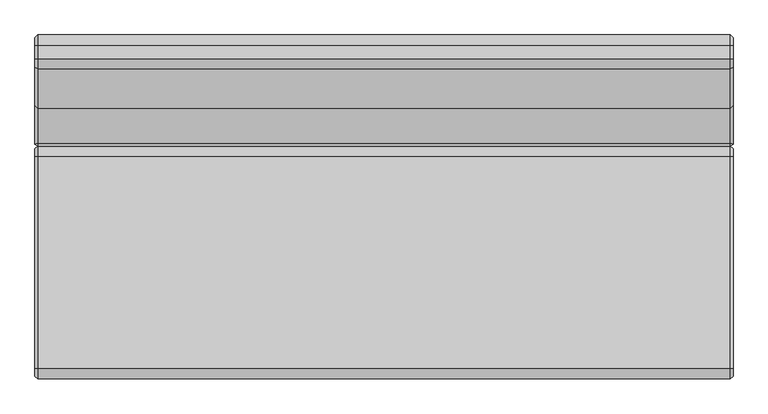
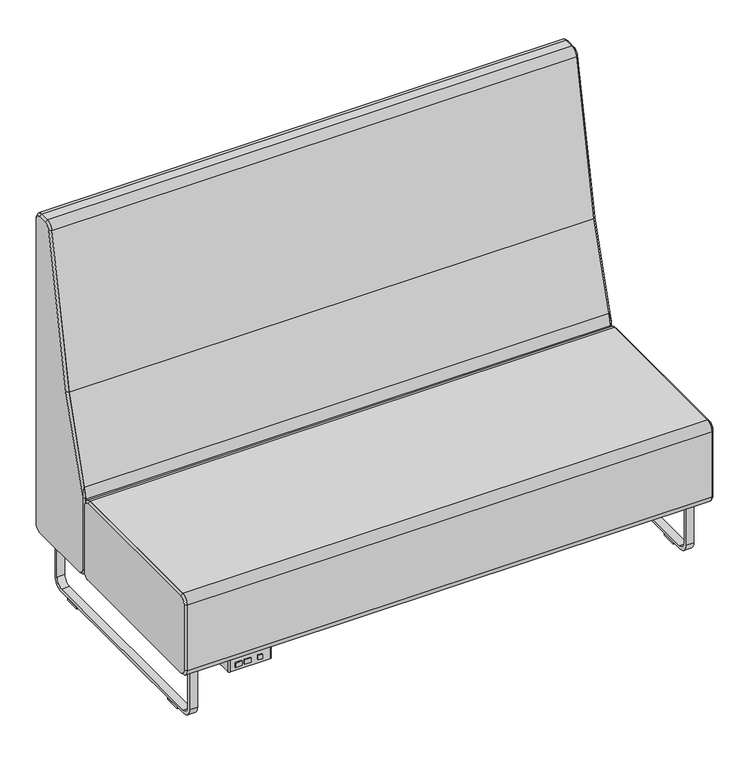
"""IFC4 building model written with IfcOpenShell, lengths in millimetres: furniture geometry."""

from ifc_helpers import new_model, si_unit, point, frame, frame_2d, origin, origin_with_axes, place, context, project, spatial, polyline, circle_curve, trimmed, segment, composite_curve, outline, extrude, source, transform, mapped, element, save
from ifc_brep_helpers import plane_surface, revolved_surface, spline_surface, advanced_brep


def furniture_33818f2f(model_context):
    return source(origin(), model_context, "Body", "SolidModel", [
        extrude(outline(polyline([(-1084.8135905, -367.8609794), (-1098.6184165, -367.8609794), (-1098.6184165, -364.6859794), (-1084.8135905, -364.6859794), (-1084.8135905, -367.8609794)])), frame((0.0, 0.0, 148.4693805), z_axis=(0.0, 0.0, 1.0), x_axis=(1.0, 0.0, 0.0)), (0.0, 0.0, 1.0), 15.3288336),
        extrude(outline(polyline([(-1120.9260038, -367.8609794), (-1142.3402709, -367.8609794), (-1142.3402709, -364.6859794), (-1120.9260038, -364.6859794), (-1120.9260038, -367.8609794)])), frame((0.0, 0.0, 148.4693805), z_axis=(0.0, 0.0, 1.0), x_axis=(1.0, 0.0, 0.0)), (0.0, 0.0, 1.0), 15.3288336),
        extrude(outline(polyline([(-1151.1520036, -367.8609794), (-1172.0562055, -367.8609794), (-1172.0562055, -364.6859794), (-1151.1520036, -364.6859794), (-1151.1520036, -367.8609794)])), frame((0.0, 0.0, 148.4693805), z_axis=(0.0, 0.0, 1.0), x_axis=(1.0, 0.0, 0.0)), (0.0, 0.0, 1.0), 15.3288336),
        extrude(outline(composite_curve([segment(trimmed(circle_curve(frame_2d((-1053.3937537, -295.6297294)), 0.79375), [point((-1053.3937537, -294.8359794))], [point((-1052.6000037, -295.6297294))], False, "CARTESIAN"), True, "CONTINUOUS"), segment(polyline([(-1052.6000037, -295.6297294), (-1052.6000037, -358.3359794)]), True, "CONTINUOUS"), segment(trimmed(circle_curve(frame_2d((-1058.9500037, -358.3359794)), 6.35), [point((-1052.6000037, -358.3359794))], [point((-1058.9500037, -364.6859794))], False, "CARTESIAN"), True, "CONTINUOUS"), segment(polyline([(-1058.9500037, -364.6859794), (-1185.9500037, -364.6859794)]), True, "CONTINUOUS"), segment(trimmed(circle_curve(frame_2d((-1185.9500037, -358.3359794)), 6.35), [point((-1185.9500037, -364.6859794))], [point((-1192.3000037, -358.3359794))], False, "CARTESIAN"), True, "CONTINUOUS"), segment(polyline([(-1192.3000037, -358.3359794), (-1192.3000037, -295.6297294)]), True, "CONTINUOUS"), segment(trimmed(circle_curve(frame_2d((-1191.5062537, -295.6297294)), 0.79375), [point((-1192.3000037, -295.6297294))], [point((-1191.5062537, -294.8359794))], False, "CARTESIAN"), True, "CONTINUOUS"), segment(polyline([(-1191.5062537, -294.8359794), (-1053.3937537, -294.8359794)]), True, "CONTINUOUS")], self_intersect=False)), frame((0.0, 0.0, 136.525), z_axis=(0.0, 0.0, 1.0), x_axis=(1.0, 0.0, 0.0)), (0.0, 0.0, 1.0), 44.45),
        extrude(outline(composite_curve([segment(trimmed(circle_curve(frame_2d((-1043.0750037, -304.3609794)), 3.175), [point((-1043.0750037, -301.1859794))], [point((-1039.9000037, -304.3609794))], False, "CARTESIAN"), True, "CONTINUOUS"), segment(polyline([(-1039.9000037, -304.3609794), (-1039.9000037, -355.1609794)]), True, "CONTINUOUS"), segment(trimmed(circle_curve(frame_2d((-1043.0750037, -355.1609794)), 3.175), [point((-1039.9000037, -355.1609794))], [point((-1043.0750037, -358.3359794))], False, "CARTESIAN"), True, "CONTINUOUS"), segment(polyline([(-1043.0750037, -358.3359794), (-1201.8250037, -358.3359794)]), True, "CONTINUOUS"), segment(trimmed(circle_curve(frame_2d((-1201.8250037, -355.1609794)), 3.175), [point((-1201.8250037, -358.3359794))], [point((-1205.0000037, -355.1609794))], False, "CARTESIAN"), True, "CONTINUOUS"), segment(polyline([(-1205.0000037, -355.1609794), (-1205.0000037, -304.3609794)]), True, "CONTINUOUS"), segment(trimmed(circle_curve(frame_2d((-1201.8250037, -304.3609794)), 3.175), [point((-1205.0000037, -304.3609794))], [point((-1201.8250037, -301.1859794))], False, "CARTESIAN"), True, "CONTINUOUS"), segment(polyline([(-1201.8250037, -301.1859794), (-1043.0750037, -301.1859794)]), True, "CONTINUOUS")], self_intersect=False)), frame((0.0, 0.0, 180.975), z_axis=(0.0, 0.0, 1.0), x_axis=(1.0, 0.0, 0.0)), (0.0, 0.0, 1.0), 3.175),
        advanced_brep(
        [(-1346.2, 151.6980231, 450.85), (-1346.2, 170.7480231, 431.8), (-1346.2, 170.7480231, 209.55), (-1346.2, 151.6980231, 190.5), (-1346.2, -364.6859794, 190.5), (-1346.2, -383.7359794, 209.55), (-1346.2, -383.7359794, 431.8), (-1346.2, -364.6859794, 450.85), (-1339.85, 151.6980231, 457.2), (-1339.85, -364.6859794, 457.2), (-1339.85, -390.0859794, 431.8), (-1339.85, -390.0859794, 209.55), (-1339.85, -364.6859794, 184.15), (-1339.85, 151.6980231, 184.15), (-1339.85, 177.0980231, 209.55), (-1339.85, 177.0980231, 431.8)],
        [
            (0, 1, circle_curve(frame((-1346.2, 151.6980231, 431.8), z_axis=(-1.0, -2.768452134205448e-12, 0.0), x_axis=(0.0, 0.0, 1.0)), 19.05)),
            (1, 2),
            (2, 3, circle_curve(frame((-1346.2, 151.6980231, 209.55), z_axis=(-1.0, -3.1921132404024314e-12, 0.0), x_axis=(-3.192154977755138e-12, 1.0, 0.0)), 19.05)),
            (3, 4),
            (4, 5, circle_curve(frame((-1346.2, -364.6859794, 209.55), z_axis=(-1.0, 0.0, 0.0), x_axis=(0.0, 0.0, -1.0)), 19.05)),
            (5, 6),
            (6, 7, circle_curve(frame((-1346.2, -364.6859794, 431.8), z_axis=(-1.0, 0.0, 0.0), x_axis=(0.0, -1.0, 0.0)), 19.05)),
            (7, 0),
            (8, 9),
            (9, 10, circle_curve(frame((-1339.85, -364.6859794, 431.8), z_axis=(1.0, 0.0, 0.0), x_axis=(0.0, -1.0, 0.0)), 25.4)),
            (10, 11),
            (11, 12, circle_curve(frame((-1339.85, -364.6859794, 209.55), z_axis=(1.0, 0.0, 0.0), x_axis=(0.0, 0.0, -1.0)), 25.4)),
            (12, 13),
            (13, 14, circle_curve(frame((-1339.85, 151.6980231, 209.55), z_axis=(1.0, 3.1921132404024314e-12, 0.0), x_axis=(-3.192154977755138e-12, 1.0, 0.0)), 25.4)),
            (14, 15),
            (15, 8, circle_curve(frame((-1339.85, 151.6980231, 431.8), z_axis=(1.0, 2.768452134205448e-12, 0.0), x_axis=(0.0, 0.0, 1.0)), 25.4)),
            (14, 2),
            (1, 15),
            (12, 4),
            (3, 13),
            (10, 6),
            (5, 11),
            (8, 0),
            (7, 9),
        ],
        [
            plane_surface(frame((-1346.2, -106.4939782, 320.675), z_axis=(-1.0, 0.0, 0.0), x_axis=(0.0, 1.0, 0.0))),
            plane_surface(frame((-1339.85, -106.4939782, 320.675), z_axis=(1.0, 0.0, 0.0), x_axis=(0.0, 1.0, 0.0))),
            plane_surface(frame((-1339.85, 177.0980231, 320.675), z_axis=(-0.7071067811876215, 0.7071067811854735, 0.0), x_axis=(0.0, 0.0, -1.0))),
            plane_surface(frame((-1339.85, -106.4939782, 184.15), z_axis=(-0.7071067811863855, 0.0, -0.7071067811867096), x_axis=(0.0, -1.0, 0.0))),
            plane_surface(frame((-1339.85, -390.0859794, 320.675), z_axis=(-0.7071067811866266, -0.7071067811864684, 0.0), x_axis=(0.0, 0.0, 1.0))),
            plane_surface(frame((-1339.85, -106.4939782, 457.2), z_axis=(-0.7071067811865852, 0.0, 0.7071067811865098), x_axis=(0.0, 1.0, 0.0))),
            revolved_surface(polyline([(-1346.2, 151.6980231, 450.8499999999999), (-1339.8499999999297, 151.6980231, 457.2000000000703)]), (-1365.25, 151.6980231, 431.8), (1.0, 2.768452134205448e-12, 0.0)),
            revolved_surface(polyline([(-1346.2000000000608, 170.74802309993908, 209.55), (-1339.85, 177.0980231, 209.55)]), (-1365.25, 151.6980231, 209.55), (1.0, 3.1921132404024314e-12, 0.0)),
            revolved_surface(polyline([(-1346.2, -364.6859794, 190.5000000000001), (-1339.85, -364.6859794, 184.15)]), (-1365.25, -364.6859794, 209.55), (1.0, 0.0, 0.0)),
            revolved_surface(polyline([(-1346.2, -383.7359793999999, 431.8), (-1339.85, -390.0859794, 431.8)]), (-1365.25, -364.6859794, 431.8), (1.0, 0.0, 0.0)),
        ],
        [
            (0, [[1, 2, 3, 4, 5, 6, 7, 8]]),
            (1, [[9, 10, 11, 12, 13, 14, 15, 16]]),
            (2, [[-15, 17, -2, 18]]),
            (3, [[-13, 19, -4, 20]]),
            (4, [[-11, 21, -6, 22]]),
            (5, [[-9, 23, -8, 24]]),
            (6, [[-16, -18, -1, -23]]),
            (7, [[-14, -20, -3, -17]]),
            (8, [[-12, -22, -5, -19]]),
            (9, [[-10, -24, -7, -21]]),
        ],
    ),
        advanced_brep(
        [(355.6, 441.7640206, 209.55), (355.6, 441.7640206, 1243.6301753), (355.6, 421.7441958, 1263.65), (355.6, 390.0258576, 1263.65), (355.6, 370.6351744, 1247.6591529), (355.6, 275.0456068, 754.8593998), (355.6, 181.6267453, 456.75942), (355.6, 181.6267453, 209.55), (355.6, 200.6767453, 190.5), (355.6, 422.7140206, 190.5), (349.25, 448.1140206, 209.55), (349.25, 422.7140206, 184.15), (349.25, 202.4980231, 184.15), (349.25, 177.0980231, 209.55), (349.25, 177.0980231, 448.1421227), (349.25, 183.8862715, 485.2041409), (349.25, 268.8796408, 756.4183397), (349.25, 364.4013661, 1248.8683399), (349.25, 390.0258576, 1270.0), (349.25, 421.7441958, 1270.0), (349.25, 448.1140206, 1243.6301753)],
        [
            (0, 1),
            (1, 2, circle_curve(frame((355.6, 421.7441958, 1243.6301753), z_axis=(1.0, 0.0, 0.0), x_axis=(0.0, 1.0, 0.0)), 20.0198247)),
            (2, 3),
            (3, 4, circle_curve(frame((355.6, 390.0258576, 1243.8978949), z_axis=(1.0, 0.0, 1.1937117960814128e-12), x_axis=(-1.1937412963337627e-12, 0.0, 1.0)), 19.7521051)),
            (4, 5),
            (5, 6),
            (6, 7),
            (7, 8, circle_curve(frame((355.6, 200.6767453, 209.55), z_axis=(1.0, 0.0, 0.0), x_axis=(0.0, -1.0, 0.0)), 19.05)),
            (8, 9),
            (9, 0, circle_curve(frame((355.6, 422.7140206, 209.55), z_axis=(1.0, 0.0, 0.0), x_axis=(0.0, 0.0, -1.0)), 19.05)),
            (10, 11, circle_curve(frame((349.25, 422.7140206, 209.55), z_axis=(-1.0, 0.0, 0.0), x_axis=(0.0, 0.0, -1.0)), 25.4)),
            (11, 12),
            (12, 13, circle_curve(frame((349.25, 202.4980231, 209.55), z_axis=(-1.0, 0.0, 0.0), x_axis=(0.0, -1.0, 0.0)), 25.4)),
            (13, 14),
            (14, 15, circle_curve(frame((349.25, 330.963593, 439.112907), z_axis=(-1.0, 0.0, 0.0), x_axis=(0.0, -1.0, 0.0)), 154.1302707)),
            (15, 16),
            (16, 17),
            (17, 18, circle_curve(frame((349.25, 390.0258576, 1243.8978949), z_axis=(-1.0, 0.0, -1.1937117960814128e-12), x_axis=(-1.1937412963337627e-12, 0.0, 1.0)), 26.1021051)),
            (18, 19),
            (19, 20, circle_curve(frame((349.25, 421.7441958, 1243.6301753), z_axis=(-1.0, 0.0, 0.0), x_axis=(0.0, 1.0, 0.0)), 26.3698247)),
            (20, 10),
            (20, 1),
            (0, 10),
            (14, 6),
            (6, 15),
            (18, 3),
            (2, 19),
            (5, 16),
            (4, 17),
            (11, 9),
            (8, 12),
            (13, 7),
        ],
        [
            plane_surface(frame((355.6, 332.7623132, 703.0308148), z_axis=(1.0, 0.0, 0.0), x_axis=(0.0, -1.0, 0.0))),
            plane_surface(frame((349.25, 318.5975875, 682.6966471), z_axis=(-1.0, 0.0, 0.0), x_axis=(0.0, -1.0, 0.0))),
            plane_surface(frame((349.25, 448.1140206, 726.5900876), z_axis=(0.7071067811877572, 0.7071067811853379, 0.0), x_axis=(0.0, 0.0, 1.0))),
            spline_surface(2, 1, [[(349.25, 183.8862715, 485.2041409), (355.6, 181.6267453, 456.75942)], [(349.25, 178.20999802483482, 467.09112836245816), (355.6, 181.6267453, 456.75942)], [(349.25, 177.0980231, 448.1421227), (355.6, 181.6267453, 456.75942)]], [3, 3], [2, 2], [0.0, 1.0], [0.0, 1.0], weights=[[1.0, 1.0], [0.9925018543197952, 0.9925018543197952], [1.0, 1.0]]),
            plane_surface(frame((349.25, 405.8850267, 1270.0), z_axis=(0.707106781187825, 0.0, 0.70710678118527), x_axis=(0.0, -1.0, 0.0))),
            plane_surface(frame((349.25, 226.3829562, 620.8112403), z_axis=(0.7071067811878768, -0.6747498133218032, 0.2114537524384756), x_axis=(0.0, -0.29904076451373685, -0.954240337210202))),
            plane_surface(frame((349.25, 316.6405034, 1002.6433398), z_axis=(0.7071067811877871, -0.6941682162898245, 0.13464949866691173), x_axis=(0.0, -0.19042314718181808, -0.9817021060471307))),
            revolved_surface(polyline([(355.6, 390.0258576, 1263.65), (349.24999999996885, 390.0258576, 1270.0000000000312)]), (375.3521051, 390.0258576, 1243.8978949), (-1.0, 0.0, -1.1937117960814128e-12)),
            revolved_surface(polyline([(355.6, 441.7640205759194, 1243.6301753), (349.25, 448.1140206, 1243.6301753)]), (375.6198247, 421.7441958, 1243.6301753), (-1.0, 0.0, 0.0)),
            plane_surface(frame((349.25, 312.6060218, 184.15), z_axis=(0.7071067811879985, 0.0, -0.7071067811850965), x_axis=(0.0, 1.0, 0.0))),
            plane_surface(frame((349.25, 177.0980231, 328.8460613), z_axis=(0.5806444204860475, -0.8141572679516054, 0.0), x_axis=(0.0, 0.0, -1.0))),
            revolved_surface(polyline([(355.6, 422.7140206, 190.50000000000003), (349.25, 422.7140206, 184.15)]), (374.65, 422.7140206, 209.55), (-1.0, 0.0, 0.0)),
            spline_surface(2, 1, [[(349.25, 177.0980231, 209.55), (355.6, 181.6267453, 209.55)], [(349.25, 177.0980231, 184.15), (355.6, 181.6267453, 190.50000000000003)], [(349.25, 202.4980231, 184.15), (355.6, 200.6767453, 190.5)]], [3, 3], [2, 2], [0.0, 1.0], [0.0, 1.0], weights=[[1.0, 1.0], [0.7071067811865476, 0.7071067811865476], [1.0, 1.0]]),
        ],
        [
            (0, [[1, 2, 3, 4, 5, 6, 7, 8, 9, 10]]),
            (1, [[11, 12, 13, 14, 15, 16, 17, 18, 19, 20, 21]]),
            (2, [[-21, 22, -1, 23]]),
            (3, [[-15, 24, 25]]),
            (4, [[-19, 26, -3, 27]]),
            (5, [[-16, -25, -6, 28]]),
            (6, [[-17, -28, -5, 29]]),
            (7, [[-18, -29, -4, -26]]),
            (8, [[-20, -27, -2, -22]]),
            (9, [[-12, 30, -9, 31]]),
            (10, [[-14, 32, -7, -24]]),
            (11, [[-11, -23, -10, -30]]),
            (12, [[-13, -31, -8, -32]]),
        ],
    ),
        advanced_brep(
        [(355.6, 151.6980231, 450.85), (355.6, -364.6859794, 450.85), (355.6, -383.7359794, 431.8), (355.6, -383.7359794, 209.55), (355.6, -364.6859794, 190.5), (355.6, 151.6980231, 190.5), (355.6, 170.7480231, 209.55), (355.6, 170.7480231, 431.8), (349.25, 151.6980231, 457.2), (349.25, 177.0980231, 431.8), (349.25, 177.0980231, 209.55), (349.25, 151.6980231, 184.15), (349.25, -364.6859794, 184.15), (349.25, -390.0859794, 209.55), (349.25, -390.0859794, 431.8), (349.25, -364.6859794, 457.2)],
        [
            (0, 1),
            (1, 2, circle_curve(frame((355.6, -364.6859794, 431.8), z_axis=(1.0, 0.0, 0.0), x_axis=(0.0, 0.0, 1.0)), 19.05)),
            (2, 3),
            (3, 4, circle_curve(frame((355.6, -364.6859794, 209.55), z_axis=(1.0, 0.0, 0.0), x_axis=(0.0, -1.0, 0.0)), 19.05)),
            (4, 5),
            (5, 6, circle_curve(frame((355.6, 151.6980231, 209.55), z_axis=(1.0, -2.8617108682842753e-12, 0.0), x_axis=(0.0, 0.0, -1.0)), 19.05)),
            (6, 7),
            (7, 0, circle_curve(frame((355.6, 151.6980231, 431.8), z_axis=(1.0, -2.4433788326040377e-12, 0.0), x_axis=(2.443377884202076e-12, 1.0, 0.0)), 19.05)),
            (8, 9, circle_curve(frame((349.25, 151.6980231, 431.8), z_axis=(-1.0, 2.4433788326040377e-12, 0.0), x_axis=(2.443377884202076e-12, 1.0, 0.0)), 25.4)),
            (9, 10),
            (10, 11, circle_curve(frame((349.25, 151.6980231, 209.55), z_axis=(-1.0, 2.8617108682842753e-12, 0.0), x_axis=(0.0, 0.0, -1.0)), 25.4)),
            (11, 12),
            (12, 13, circle_curve(frame((349.25, -364.6859794, 209.55), z_axis=(-1.0, 0.0, 0.0), x_axis=(0.0, -1.0, 0.0)), 25.4)),
            (13, 14),
            (14, 15, circle_curve(frame((349.25, -364.6859794, 431.8), z_axis=(-1.0, 0.0, 0.0), x_axis=(0.0, 0.0, 1.0)), 25.4)),
            (15, 8),
            (9, 7),
            (6, 10),
            (11, 5),
            (4, 12),
            (13, 3),
            (2, 14),
            (15, 1),
            (0, 8),
        ],
        [
            plane_surface(frame((355.6, -106.4939782, 320.675), z_axis=(1.0, 0.0, 0.0), x_axis=(0.0, -1.0, 0.0))),
            plane_surface(frame((349.25, -106.4939782, 320.675), z_axis=(-1.0, 0.0, 0.0), x_axis=(0.0, -1.0, 0.0))),
            plane_surface(frame((349.25, 177.0980231, 320.675), z_axis=(0.7071067811887972, 0.7071067811842979, 0.0), x_axis=(0.0, 0.0, 1.0))),
            plane_surface(frame((349.25, -106.4939782, 184.15), z_axis=(0.7071067811876705, 0.0, -0.7071067811854246), x_axis=(0.0, 1.0, 0.0))),
            plane_surface(frame((349.25, -390.0859794, 320.675), z_axis=(0.7071067811879042, -0.707106781185191, 0.0), x_axis=(0.0, 0.0, -1.0))),
            plane_surface(frame((349.25, -106.4939782, 457.2), z_axis=(0.7071067811878551, 0.0, 0.70710678118524), x_axis=(0.0, -1.0, 0.0))),
            revolved_surface(polyline([(355.6000000000466, 170.74802309995343, 431.8), (349.25, 177.0980231, 431.8)]), (374.65, 151.6980231, 431.8), (-1.0, 2.4433788326040377e-12, 0.0)),
            revolved_surface(polyline([(355.6, 151.6980231, 190.50000000000003), (349.2499999999273, 151.6980231, 184.14999999992733)]), (374.65, 151.6980231, 209.55), (-1.0, 2.8617108682842753e-12, 0.0)),
            revolved_surface(polyline([(355.6, -383.73597939999996, 209.55), (349.25, -390.0859794, 209.55)]), (374.65, -364.6859794, 209.55), (-1.0, 0.0, 0.0)),
            revolved_surface(polyline([(355.6, -364.6859794, 450.84999999999997), (349.25, -364.6859794, 457.2)]), (374.65, -364.6859794, 431.8), (-1.0, 0.0, 0.0)),
        ],
        [
            (0, [[1, 2, 3, 4, 5, 6, 7, 8]]),
            (1, [[9, 10, 11, 12, 13, 14, 15, 16]]),
            (2, [[-10, 17, -7, 18]]),
            (3, [[-12, 19, -5, 20]]),
            (4, [[-14, 21, -3, 22]]),
            (5, [[-16, 23, -1, 24]]),
            (6, [[-9, -24, -8, -17]]),
            (7, [[-11, -18, -6, -19]]),
            (8, [[-13, -20, -4, -21]]),
            (9, [[-15, -22, -2, -23]]),
        ],
    ),
        extrude(outline(composite_curve([segment(polyline([(-364.6859794, 457.2), (151.6980231, 457.2)]), True, "CONTINUOUS"), segment(trimmed(circle_curve(frame_2d((151.6980231, 431.8)), 25.4), [point((151.6980231, 457.2))], [point((177.0980231, 431.8))], False, "CARTESIAN"), True, "CONTINUOUS"), segment(polyline([(177.0980231, 431.8), (177.0980231, 209.55)]), True, "CONTINUOUS"), segment(trimmed(circle_curve(frame_2d((151.6980231, 209.55)), 25.4), [point((177.0980231, 209.55))], [point((151.6980231, 184.15))], False, "CARTESIAN"), True, "CONTINUOUS"), segment(polyline([(151.6980231, 184.15), (-364.6859794, 184.15)]), True, "CONTINUOUS"), segment(trimmed(circle_curve(frame_2d((-364.6859794, 209.55)), 25.4), [point((-364.6859794, 184.15))], [point((-390.0859794, 209.55))], False, "CARTESIAN"), True, "CONTINUOUS"), segment(polyline([(-390.0859794, 209.55), (-390.0859794, 431.8)]), True, "CONTINUOUS"), segment(trimmed(circle_curve(frame_2d((-364.6859794, 431.8)), 25.4), [point((-390.0859794, 431.8))], [point((-364.6859794, 457.2))], False, "CARTESIAN"), True, "CONTINUOUS")], self_intersect=False)), frame((-1339.85, 0.0, 0.0), z_axis=(1.0, 0.0, 0.0), x_axis=(0.0, 1.0, 0.0)), (0.0, 0.0, 1.0), 1689.1),
        advanced_brep(
        [(-1346.2, 441.7640206, 209.55), (-1346.2, 422.7140206, 190.5), (-1346.2, 200.6767453, 190.5), (-1346.2, 181.6267453, 209.55), (-1346.2, 181.6267453, 456.75942), (-1346.2, 275.0456068, 754.8593998), (-1346.2, 370.6351744, 1247.6591529), (-1346.2, 390.0258576, 1263.65), (-1346.2, 421.7441958, 1263.65), (-1346.2, 441.7640206, 1243.6301753), (-1339.85, 448.1140206, 209.55), (-1339.85, 448.1140206, 1243.6301753), (-1339.85, 421.7441958, 1270.0), (-1339.85, 390.0258576, 1270.0), (-1339.85, 364.4013661, 1248.8683399), (-1339.85, 268.8796408, 756.4183397), (-1339.85, 183.8862715, 485.2041409), (-1339.85, 177.0980231, 448.1421227), (-1339.85, 177.0980231, 209.55), (-1339.85, 202.4980231, 184.15), (-1339.85, 422.7140206, 184.15)],
        [
            (0, 1, circle_curve(frame((-1346.2, 422.7140206, 209.55), z_axis=(-1.0, 0.0, 0.0), x_axis=(0.0, 1.0, 0.0)), 19.05)),
            (1, 2),
            (2, 3, circle_curve(frame((-1346.2, 200.6767453, 209.55), z_axis=(-1.0, 0.0, 0.0), x_axis=(0.0, -1.0, 0.0)), 19.05)),
            (3, 4),
            (4, 5),
            (5, 6),
            (6, 7, circle_curve(frame((-1346.2, 390.0258576, 1243.8978949), z_axis=(-1.0, 0.0, 1.1937117960770362e-12), x_axis=(1.2004926939082702e-12, -0.9817021060471365, 0.19042314718178718)), 19.7521051)),
            (7, 8),
            (8, 9, circle_curve(frame((-1346.2, 421.7441958, 1243.6301753), z_axis=(-1.0, 0.0, 0.0), x_axis=(0.0, 0.0, 1.0)), 20.0198247)),
            (9, 0),
            (10, 11),
            (11, 12, circle_curve(frame((-1339.85, 421.7441958, 1243.6301753), z_axis=(1.0, 0.0, 0.0), x_axis=(0.0, 0.0, 1.0)), 26.3698247)),
            (12, 13),
            (13, 14, circle_curve(frame((-1339.85, 390.0258576, 1243.8978949), z_axis=(1.0, 0.0, -1.1937117960770362e-12), x_axis=(1.2004926939082702e-12, -0.9817021060471365, 0.19042314718178718)), 26.1021051)),
            (14, 15),
            (15, 16),
            (16, 17, circle_curve(frame((-1339.85, 330.963593, 439.112907), z_axis=(1.0, 0.0, 0.0), x_axis=(0.0, -1.0, 0.0)), 154.1302707)),
            (17, 18),
            (18, 19, circle_curve(frame((-1339.85, 202.4980231, 209.55), z_axis=(1.0, 0.0, 0.0), x_axis=(0.0, -1.0, 0.0)), 25.4)),
            (19, 20),
            (20, 10, circle_curve(frame((-1339.85, 422.7140206, 209.55), z_axis=(1.0, 0.0, 0.0), x_axis=(0.0, 1.0, 0.0)), 25.4)),
            (10, 0),
            (9, 11),
            (16, 4),
            (4, 17),
            (12, 8),
            (7, 13),
            (15, 5),
            (14, 6),
            (19, 2),
            (1, 20),
            (3, 18),
        ],
        [
            plane_surface(frame((-1346.2, 332.7623132, 703.0308148), z_axis=(-1.0, 0.0, 0.0), x_axis=(0.0, 1.0, 0.0))),
            plane_surface(frame((-1339.85, 318.5975875, 682.6966471), z_axis=(1.0, 0.0, 0.0), x_axis=(0.0, 1.0, 0.0))),
            plane_surface(frame((-1339.85, 448.1140206, 726.5900876), z_axis=(-0.7071067811864684, 0.7071067811866266, 0.0), x_axis=(0.0, 0.0, -1.0))),
            spline_surface(2, 1, [[(-1339.85, 177.0980231, 448.1421227), (-1346.2, 181.6267453, 456.75942)], [(-1339.85, 178.2099980584638, 467.0911283562987), (-1346.2, 181.6267453, 456.75942)], [(-1339.85, 183.8862715, 485.2041409), (-1346.2, 181.6267453, 456.75942)]], [3, 3], [2, 2], [0.0, 1.0], [0.0, 1.0], weights=[[1.0, 1.0], [0.9925018544290458, 0.9925018544290458], [1.0, 1.0]]),
            plane_surface(frame((-1339.85, 405.8850267, 1270.0), z_axis=(-0.7071067811865325, 0.0, 0.7071067811865627), x_axis=(0.0, 1.0, 0.0))),
            plane_surface(frame((-1339.85, 226.3829562, 620.8112403), z_axis=(-0.7071067811865629, -0.6747498133230571, 0.21145375243886855), x_axis=(0.0, 0.29904076451373685, 0.954240337210202))),
            plane_surface(frame((-1339.85, 316.6405034, 1002.6433398), z_axis=(-0.707106781186477, -0.6941682162911107, 0.13464949866716122), x_axis=(0.0, 0.19042314718181808, 0.9817021060471307))),
            revolved_surface(polyline([(-1346.2000000000191, 370.6351744615138, 1247.6591529156867), (-1339.849999999994, 364.4013660999942, 1248.868339900001)]), (-1365.9521051, 390.0258576, 1243.8978949), (1.0, 0.0, -1.1937117960770362e-12)),
            revolved_surface(polyline([(-1346.2, 421.7441958, 1263.6499999999999), (-1339.85, 421.7441958, 1270.0)]), (-1366.2198247, 421.7441958, 1243.6301753), (1.0, 0.0, 0.0)),
            plane_surface(frame((-1339.85, 312.6060218, 184.15), z_axis=(-0.7071067811866986, 0.0, -0.7071067811863966), x_axis=(0.0, -1.0, 0.0))),
            plane_surface(frame((-1339.85, 177.0980231, 328.8460613), z_axis=(-0.5806444204846087, -0.8141572679526314, 0.0), x_axis=(0.0, 0.0, 1.0))),
            revolved_surface(polyline([(-1346.2, 441.76402059999987, 209.55), (-1339.85, 448.1140206, 209.55)]), (-1365.25, 422.7140206, 209.55), (1.0, 0.0, 0.0)),
            spline_surface(2, 1, [[(-1339.85, 202.4980231, 184.15), (-1346.2, 200.6767453, 190.5)], [(-1339.85, 177.0980231, 184.15), (-1346.2, 181.62674529999998, 190.5)], [(-1339.85, 177.0980231, 209.55), (-1346.2, 181.6267453, 209.55)]], [3, 3], [2, 2], [0.0, 1.0], [0.0, 1.0], weights=[[1.0, 1.0], [0.7071067811865476, 0.7071067811865476], [1.0, 1.0]]),
        ],
        [
            (0, [[1, 2, 3, 4, 5, 6, 7, 8, 9, 10]]),
            (1, [[11, 12, 13, 14, 15, 16, 17, 18, 19, 20, 21]]),
            (2, [[-11, 22, -10, 23]]),
            (3, [[-17, 24, 25]]),
            (4, [[-13, 26, -8, 27]]),
            (5, [[-16, 28, -5, -24]]),
            (6, [[-15, 29, -6, -28]]),
            (7, [[-14, -27, -7, -29]]),
            (8, [[-12, -23, -9, -26]]),
            (9, [[-20, 30, -2, 31]]),
            (10, [[-18, -25, -4, 32]]),
            (11, [[-21, -31, -1, -22]]),
            (12, [[-19, -32, -3, -30]]),
        ],
    ),
        extrude(outline(composite_curve([segment(polyline([(448.1140206, 1243.6301753), (448.1140206, 209.55)]), True, "CONTINUOUS"), segment(trimmed(circle_curve(frame_2d((422.7140206, 209.55)), 25.4), [point((448.1140206, 209.55))], [point((422.7140206, 184.15))], False, "CARTESIAN"), True, "CONTINUOUS"), segment(polyline([(422.7140206, 184.15), (202.4980231, 184.15)]), True, "CONTINUOUS"), segment(trimmed(circle_curve(frame_2d((202.4980231, 209.55)), 25.4), [point((202.4980231, 184.15))], [point((177.0980231, 209.55))], False, "CARTESIAN"), True, "CONTINUOUS"), segment(polyline([(177.0980231, 209.55), (177.0980231, 448.1421227)]), True, "CONTINUOUS"), segment(trimmed(circle_curve(frame_2d((330.963593, 439.112907)), 154.1302707), [point((177.0980231, 448.1421227))], [point((183.8862715, 485.2041409))], False, "CARTESIAN"), True, "CONTINUOUS"), segment(polyline([(183.8862715, 485.2041409), (268.8796408, 756.4183397), (364.4013661, 1248.8683399)]), True, "CONTINUOUS"), segment(trimmed(circle_curve(frame_2d((390.0258576, 1243.8978949)), 26.1021051), [point((364.4013661, 1248.8683399))], [point((390.0258576, 1270.0))], False, "CARTESIAN"), True, "CONTINUOUS"), segment(polyline([(390.0258576, 1270.0), (421.7441958, 1270.0)]), True, "CONTINUOUS"), segment(trimmed(circle_curve(frame_2d((421.7441958, 1243.6301753)), 26.3698247), [point((421.7441958, 1270.0))], [point((448.1140206, 1243.6301753))], False, "CARTESIAN"), True, "CONTINUOUS")], self_intersect=False)), frame((-1339.85, 0.0, 0.0), z_axis=(1.0, 0.0, 0.0), x_axis=(0.0, 1.0, 0.0)), (0.0, 0.0, 1.0), 1689.1),
        extrude(outline(composite_curve([segment(trimmed(circle_curve(frame_2d((371.5140283, 38.1)), 31.75), [point((403.2640283, 38.1))], [point((371.5140283, 6.35))], False, "CARTESIAN"), True, "CONTINUOUS"), segment(polyline([(371.5140283, 6.35), (-313.4859554, 6.35)]), True, "CONTINUOUS"), segment(trimmed(circle_curve(frame_2d((-313.4859554, 38.1)), 31.75), [point((-313.4859554, 6.35))], [point((-345.2359554, 38.1))], False, "CARTESIAN"), True, "CONTINUOUS"), segment(polyline([(-345.2359554, 38.1), (-345.2359554, 177.8), (-335.7109554, 177.8), (-335.7109554, 41.275)]), True, "CONTINUOUS"), segment(trimmed(circle_curve(frame_2d((-310.3109554, 41.275)), 25.4), [point((-335.7109554, 41.275))], [point((-310.3109554, 15.875))], True, "CARTESIAN"), True, "CONTINUOUS"), segment(polyline([(-310.3109554, 15.875), (368.3390283, 15.875)]), True, "CONTINUOUS"), segment(trimmed(circle_curve(frame_2d((368.3390283, 41.275)), 25.4), [point((368.3390283, 15.875))], [point((393.7390283, 41.275))], True, "CARTESIAN"), True, "CONTINUOUS"), segment(polyline([(393.7390283, 41.275), (393.7390283, 177.8), (403.2640283, 177.8), (403.2640283, 38.1)]), True, "CONTINUOUS")], self_intersect=False)), frame((290.5999947, 0.0, 0.0), z_axis=(1.0, 0.0, 0.0), x_axis=(0.0, 1.0, 0.0)), (0.0, 0.0, 1.0), 25.3999758),
        extrude(outline(polyline([(255.6749825, -345.2359554), (255.6749825, -284.9110039), (315.9999704, -284.9110039), (315.9999704, -345.2359554), (255.6749825, -345.2359554)])), frame((0.0, 0.0, 177.8), z_axis=(0.0, 0.0, 1.0), x_axis=(1.0, 0.0, 0.0)), (0.0, 0.0, 1.0), 6.35),
        extrude(outline(polyline([(255.6749825, 403.2640283), (315.9999704, 403.2640283), (315.9999704, 342.9390268), (255.6749825, 342.9390268), (255.6749825, 403.2640283)])), frame((0.0, 0.0, 177.8), z_axis=(0.0, 0.0, 1.0), x_axis=(1.0, 0.0, 0.0)), (0.0, 0.0, 1.0), 6.35),
        extrude(outline(polyline([(290.5999947, -275.3109358), (290.5999947, -224.5109842), (315.9999704, -224.5109842), (315.9999704, -275.3109358), (290.5999947, -275.3109358)])), origin_with_axes(), (0.0, 0.0, 1.0), 6.35),
        extrude(outline(polyline([(290.5999947, 333.3390314), (315.9999704, 333.3390314), (315.9999704, 282.5390253), (290.5999947, 282.5390253), (290.5999947, 333.3390314)])), origin_with_axes(), (0.0, 0.0, 1.0), 6.35),
        extrude(outline(polyline([(-1246.2750007, -345.2359554), (-1306.6000022, -345.2359554), (-1306.6000022, -284.9110039), (-1246.2750007, -284.9110039), (-1246.2750007, -345.2359554)])), frame((0.0, 0.0, 177.8), z_axis=(0.0, 0.0, 1.0), x_axis=(1.0, 0.0, 0.0)), (0.0, 0.0, 1.0), 6.35),
        extrude(outline(polyline([(-1246.2750007, 403.2640283), (-1246.2750007, 342.9390268), (-1306.6000022, 342.9390268), (-1306.6000022, 403.2640283), (-1246.2750007, 403.2640283)])), frame((0.0, 0.0, 177.8), z_axis=(0.0, 0.0, 1.0), x_axis=(1.0, 0.0, 0.0)), (0.0, 0.0, 1.0), 6.35),
        extrude(outline(polyline([(-1281.2000037, -275.3109358), (-1306.6000022, -275.3109358), (-1306.6000022, -224.5109842), (-1281.2000037, -224.5109842), (-1281.2000037, -275.3109358)])), origin_with_axes(), (0.0, 0.0, 1.0), 6.35),
        extrude(outline(polyline([(-1281.2000037, 333.3390314), (-1281.2000037, 282.5390253), (-1306.6000022, 282.5390253), (-1306.6000022, 333.3390314), (-1281.2000037, 333.3390314)])), origin_with_axes(), (0.0, 0.0, 1.0), 6.35),
        extrude(outline(composite_curve([segment(trimmed(circle_curve(frame_2d((371.5140283, 38.1)), 31.75), [point((403.2640283, 38.1))], [point((371.5140283, 6.35))], False, "CARTESIAN"), True, "CONTINUOUS"), segment(polyline([(371.5140283, 6.35), (-313.4859554, 6.35)]), True, "CONTINUOUS"), segment(trimmed(circle_curve(frame_2d((-313.4859554, 38.1)), 31.75), [point((-313.4859554, 6.35))], [point((-345.2359554, 38.1))], False, "CARTESIAN"), True, "CONTINUOUS"), segment(polyline([(-345.2359554, 38.1), (-345.2359554, 177.8), (-335.7109554, 177.8), (-335.7109554, 41.275)]), True, "CONTINUOUS"), segment(trimmed(circle_curve(frame_2d((-310.3109554, 41.275)), 25.4), [point((-335.7109554, 41.275))], [point((-310.3109554, 15.875))], True, "CARTESIAN"), True, "CONTINUOUS"), segment(polyline([(-310.3109554, 15.875), (368.3390283, 15.875)]), True, "CONTINUOUS"), segment(trimmed(circle_curve(frame_2d((368.3390283, 41.275)), 25.4), [point((368.3390283, 15.875))], [point((393.7390283, 41.275))], True, "CARTESIAN"), True, "CONTINUOUS"), segment(polyline([(393.7390283, 41.275), (393.7390283, 177.8), (403.2640283, 177.8), (403.2640283, 38.1)]), True, "CONTINUOUS")], self_intersect=False)), frame((-1306.6000022, 0.0, 0.0), z_axis=(1.0, 0.0, 0.0), x_axis=(0.0, 1.0, 0.0)), (0.0, 0.0, 1.0), 25.3999985),
    ])


if __name__ == "__main__":
    model = new_model("IFC4")
    model_context = context("Model", 3, world=origin())
    ifc_project = project(units=[si_unit("LENGTHUNIT", "METRE", prefix="MILLI")], contexts=[model_context])
    site = spatial("IfcSite", under=ifc_project)
    building = spatial("IfcBuilding", under=site)
    placement = place(None, origin())
    furniture_shape = furniture_33818f2f(model_context)
    element("IfcFurniture", 1, at=placement, inside=building, context=model_context, shape_type="MappedRepresentation", body=[
        mapped(furniture_shape, transform((0.0, 0.0, 0.0), x_axis=(1.0, 0.0, 0.0), y_axis=(0.0, 1.0, 0.0), z_axis=(0.0, 0.0, 1.0))),
    ])
    save(model, "model.ifc")
